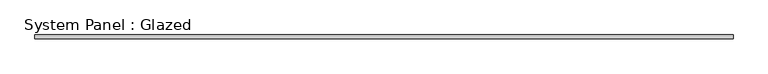
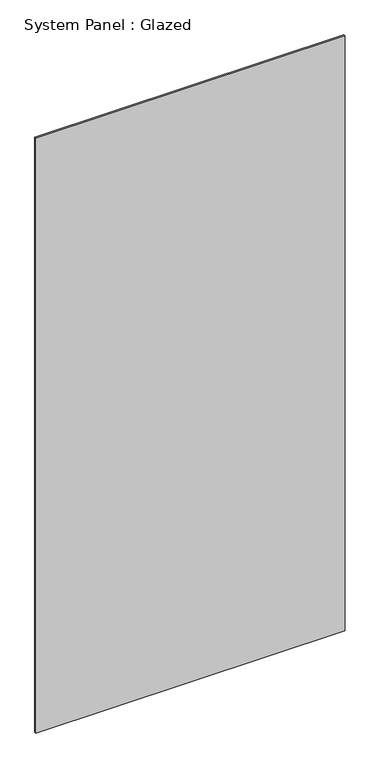
"""IFC4 building model written with IfcOpenShell, lengths in millimetres: plate geometry, System Panel : Glazed."""

from ifc_helpers import new_model, si_unit, origin, origin_with_axes, place, context, project, spatial, polyline, outline, extrude, source, transform, mapped, element, save


def system_panel_glazed_20a1ed7b(model_context):
    return source(origin(), model_context, "Body", "SweptSolid", [
        extrude(outline(polyline([(585.7875, -3.175), (-585.7875, -3.175), (-585.7875, 3.175), (585.7875, 3.175), (585.7875, -3.175)])), origin_with_axes(), (0.0, 0.0, 1.0), 2381.3008),
    ])


if __name__ == "__main__":
    model = new_model("IFC4")
    model_context = context("Model", 3, world=origin())
    ifc_project = project(units=[si_unit("LENGTHUNIT", "METRE", prefix="MILLI")], contexts=[model_context])
    site = spatial("IfcSite", under=ifc_project)
    building = spatial("IfcBuilding", under=site)
    placement = place(None, origin())
    system_panel_glazed_shape = system_panel_glazed_20a1ed7b(model_context)
    element("IfcPlate", 1, ObjectType="System Panel : Glazed", at=placement, inside=building, context=model_context, shape_type="MappedRepresentation", body=[
        mapped(system_panel_glazed_shape, transform((0.0, 0.0, 0.0), x_axis=(1.0, 0.0, 0.0), y_axis=(0.0, 1.0, 0.0), z_axis=(0.0, 0.0, 1.0))),
    ])
    save(model, "model.ifc")
